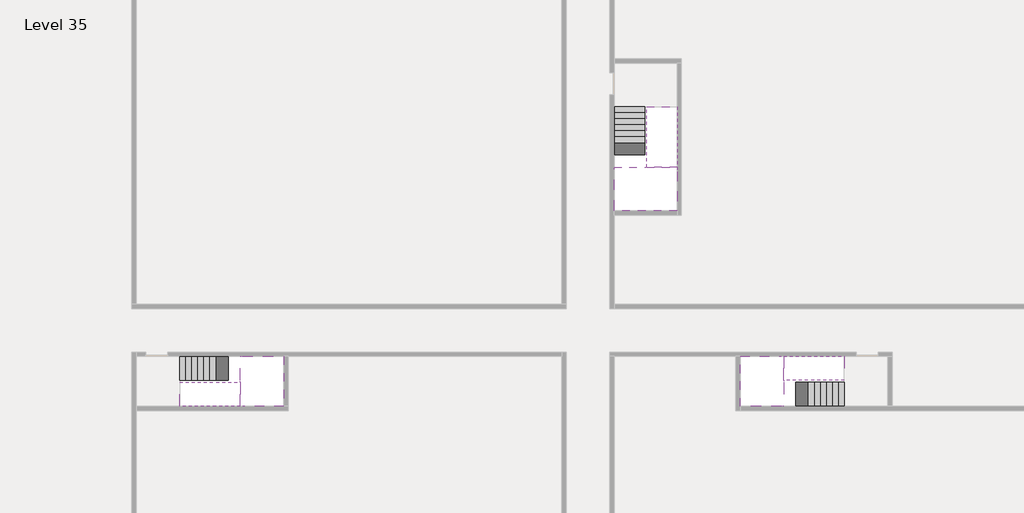
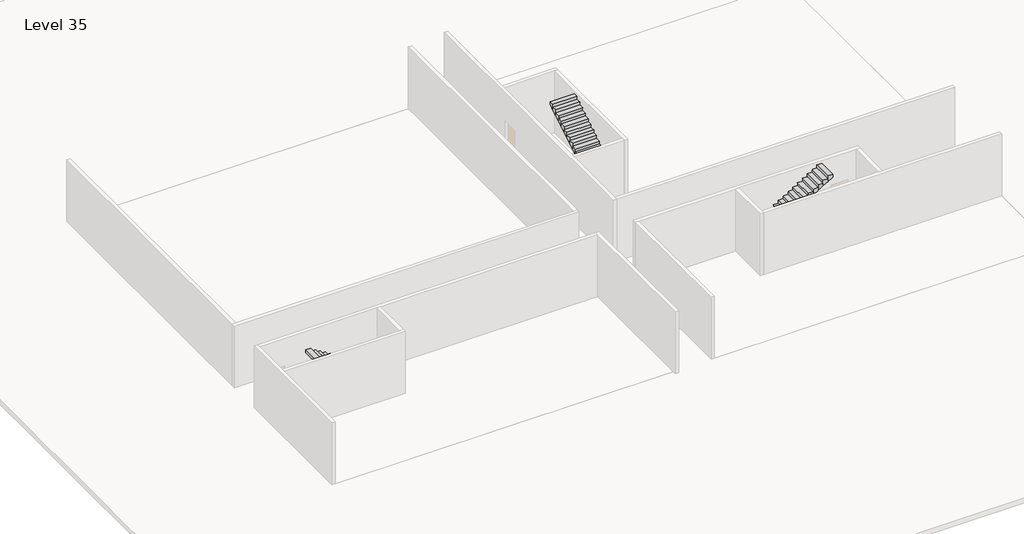
# One storey, part 2 of 2: 6 stair flights, 3 slabs.
"""IFC4 building model written with IfcOpenShell, lengths in millimetres."""

from ifc_helpers import new_model, si_unit, origin, place, context, project, spatial, faceted_brep, element, save

model = new_model("IFC4")

# Units and contexts
model_context = context("Model", 3, world=origin())
ifc_project = project(units=[si_unit("LENGTHUNIT", "METRE", prefix="MILLI")], contexts=[model_context])

# Site, building, storey
site = spatial("IfcSite", under=ifc_project)
building = spatial("IfcBuilding", under=site)
storey = spatial("IfcBuildingStorey", under=building, Name="Level 35", Elevation=129200.0)

# Slabs
placement = place(None, origin())
element("IfcSlab", 1, at=placement, inside=storey, context=model_context, shape_type="Brep", body=[
    faceted_brep([(8190.1058784, -42918.09644, 131100.0), (8190.1058784, -44018.09644, 131100.0), (8190.1058784, -44118.09644, 131100.0), (8190.1058784, -45218.09644, 131100.0), (8390.7194421, -45218.09644, 131100.0), (10190.1058784, -45218.09644, 131100.0), (10190.1058784, -42918.09644, 131100.0), (8269.4923146, -42918.09644, 131100.0), (8190.1058784, -42918.09644, 130927.2727273), (8190.1058784, -42918.09644, 130751.0278478), (8190.1058784, -44018.09644, 130751.0278478), (8190.1058784, -44018.09644, 130800.0), (8190.1058784, -44118.09644, 130800.0), (8190.1058784, -44118.09644, 130923.7551205), (8190.1058784, -45218.09644, 130923.7551205), (8390.7194421, -45218.09644, 130800.0), (10190.1058784, -45218.09644, 130800.0), (10190.1058784, -42918.09644, 130800.0), (8269.4923146, -42918.09644, 130800.0), (8390.7194421, -44118.09644, 130800.0), (8269.4923146, -44018.09644, 130800.0)], [[[0, 1, 2, 3, 4, 5, 6, 7]], [[1, 0, 8, 9, 10, 11]], [[2, 1, 11, 12, 13]], [[3, 2, 13, 14]], [[3, 14, 15, 16, 5, 4]], [[6, 5, 16, 17]], [[9, 8, 0, 7, 6, 17, 18]], [[19, 12, 11, 20, 18, 17, 16, 15]], [[12, 19, 13]], [[18, 20, 10, 9]], [[20, 11, 10]], [[19, 15, 14, 13]]]),
])
element("IfcSlab", 2, at=placement, inside=storey, context=model_context, shape_type="Brep", body=[
    faceted_brep([(33190.1058784, -45218.09644, 131100.0), (33190.1058784, -44118.09644, 131100.0), (33190.1058784, -44018.09644, 131100.0), (33190.1058784, -42918.09644, 131100.0), (32989.4923146, -42918.09644, 131100.0), (31190.1058784, -42918.09644, 131100.0), (31190.1058784, -45218.09644, 131100.0), (33110.7194421, -45218.09644, 131100.0), (33190.1058784, -45218.09644, 130927.2727273), (33190.1058784, -45218.09644, 130751.0278478), (33190.1058784, -44118.09644, 130751.0278478), (33190.1058784, -44118.09644, 130800.0), (33190.1058784, -44018.09644, 130800.0), (33190.1058784, -44018.09644, 130923.7551205), (33190.1058784, -42918.09644, 130923.7551205), (32989.4923146, -42918.09644, 130800.0), (31190.1058784, -42918.09644, 130800.0), (31190.1058784, -45218.09644, 130800.0), (33110.7194421, -45218.09644, 130800.0), (32989.4923146, -44018.09644, 130800.0), (33110.7194421, -44118.09644, 130800.0)], [[[0, 1, 2, 3, 4, 5, 6, 7]], [[1, 0, 8, 9, 10, 11]], [[2, 1, 11, 12, 13]], [[3, 2, 13, 14]], [[3, 14, 15, 16, 5, 4]], [[6, 5, 16, 17]], [[9, 8, 0, 7, 6, 17, 18]], [[19, 12, 11, 20, 18, 17, 16, 15]], [[12, 19, 13]], [[18, 20, 10, 9]], [[20, 11, 10]], [[19, 15, 14, 13]]]),
])
element("IfcSlab", 3, at=placement, inside=storey, context=model_context, shape_type="Brep", body=[
    faceted_brep([(26790.1058784, -34218.09644, 131100.0), (25390.1058784, -34218.09644, 131100.0), (25390.1058784, -34297.4828763, 131100.0), (25390.1058784, -36218.09644, 131100.0), (28290.1058784, -36218.09644, 131100.0), (28290.1058784, -34418.7100038, 131100.0), (28290.1058784, -34218.09644, 131100.0), (26890.1058784, -34218.09644, 131100.0), (26790.1058784, -34218.09644, 130800.0), (26790.1058784, -34218.09644, 130751.0278478), (25390.1058784, -34218.09644, 130751.0278478), (25390.1058784, -34218.09644, 130927.2727273), (25390.1058784, -34297.4828763, 130800.0), (25390.1058784, -36218.09644, 130800.0), (28290.1058784, -36218.09644, 130800.0), (28290.1058784, -34418.7100038, 130800.0), (28290.1058784, -34218.09644, 130923.7551205), (26890.1058784, -34218.09644, 130923.7551205), (26890.1058784, -34218.09644, 130800.0), (26890.1058784, -34418.7100038, 130800.0), (26790.1058784, -34297.4828763, 130800.0)], [[[0, 1, 2, 3, 4, 5, 6, 7]], [[1, 0, 8, 9, 10, 11]], [[1, 11, 10, 12, 13, 3, 2]], [[4, 3, 13, 14]], [[4, 14, 15, 16, 6, 5]], [[7, 6, 16, 17]], [[0, 7, 17, 18, 8]], [[18, 19, 15, 14, 13, 12, 20, 8]], [[19, 18, 17]], [[20, 12, 10, 9]], [[8, 20, 9]], [[15, 19, 17, 16]]]),
])

# Stair flights
element("IfcStairFlight", 4, at=placement, inside=storey, context=model_context, shape_type="Brep", body=[
    faceted_brep([(5670.1058784, -42918.09644, 129372.7272727), (5390.1058784, -42918.09644, 129372.7272727), (5390.1058784, -44018.09644, 129372.7272727), (5670.1058784, -44018.09644, 129372.7272727), (5670.1058784, -42918.09644, 129200.0), (5390.1058784, -42918.09644, 129200.0), (5390.1058784, -44018.09644, 129200.0), (5670.1058784, -44018.09644, 129200.0), (5950.1058784, -42918.09644, 129545.4545455), (5670.1058784, -42918.09644, 129545.4545455), (5670.1058784, -44018.09644, 129545.4545455), (5950.1058784, -44018.09644, 129545.4545455), (5950.1058784, -42918.09644, 129369.209666), (5675.8081041, -42918.09644, 129200.0), (5675.8081041, -44018.09644, 129200.0), (5950.1058784, -44018.09644, 129369.209666), (6230.1058784, -42918.09644, 129718.1818182), (5950.1058784, -42918.09644, 129718.1818182), (5950.1058784, -44018.09644, 129718.1818182), (6230.1058784, -44018.09644, 129718.1818182), (6230.1058784, -42918.09644, 129541.9369387), (6230.1058784, -44018.09644, 129541.9369387), (6510.1058784, -42918.09644, 129890.9090909), (6230.1058784, -42918.09644, 129890.9090909), (6230.1058784, -44018.09644, 129890.9090909), (6510.1058784, -44018.09644, 129890.9090909), (6510.1058784, -42918.09644, 129714.6642114), (6510.1058784, -44018.09644, 129714.6642114), (6790.1058784, -42918.09644, 130063.6363636), (6510.1058784, -42918.09644, 130063.6363636), (6510.1058784, -44018.09644, 130063.6363636), (6790.1058784, -44018.09644, 130063.6363636), (6790.1058784, -42918.09644, 129887.3914841), (6790.1058784, -44018.09644, 129887.3914841), (7070.1058784, -42918.09644, 130236.3636364), (6790.1058784, -42918.09644, 130236.3636364), (6790.1058784, -44018.09644, 130236.3636364), (7070.1058784, -44018.09644, 130236.3636364), (7070.1058784, -42918.09644, 130060.1187569), (7070.1058784, -44018.09644, 130060.1187569), (7350.1058784, -42918.09644, 130409.0909091), (7070.1058784, -42918.09644, 130409.0909091), (7070.1058784, -44018.09644, 130409.0909091), (7350.1058784, -44018.09644, 130409.0909091), (7350.1058784, -42918.09644, 130232.8460296), (7350.1058784, -44018.09644, 130232.8460296), (7630.1058784, -42918.09644, 130581.8181818), (7350.1058784, -42918.09644, 130581.8181818), (7350.1058784, -44018.09644, 130581.8181818), (7630.1058784, -44018.09644, 130581.8181818), (7630.1058784, -42918.09644, 130405.5733023), (7630.1058784, -44018.09644, 130405.5733023), (7910.1058784, -42918.09644, 130754.5454545), (7630.1058784, -42918.09644, 130754.5454545), (7630.1058784, -44018.09644, 130754.5454545), (7910.1058784, -44018.09644, 130754.5454545), (7910.1058784, -42918.09644, 130578.3005751), (7910.1058784, -44018.09644, 130578.3005751), (8190.1058784, -42918.09644, 130927.2727273), (7910.1058784, -42918.09644, 130927.2727273), (7910.1058784, -44018.09644, 130927.2727273), (8190.1058784, -44018.09644, 130927.2727273), (8190.1058784, -42918.09644, 130751.0278478), (8190.1058784, -44018.09644, 130751.0278478), (8190.1058784, -44018.09644, 130800.0)], [[[0, 1, 2, 3]], [[1, 0, 4, 5]], [[2, 1, 5, 6]], [[3, 2, 6, 7]], [[8, 9, 10, 11]], [[4, 0, 9, 8, 12, 13]], [[0, 3, 10, 9]], [[3, 7, 14, 15, 11, 10]], [[16, 17, 18, 19]], [[17, 16, 20, 12, 8]], [[8, 11, 18, 17]], [[19, 18, 11, 15, 21]], [[22, 23, 24, 25]], [[23, 22, 26, 20, 16]], [[16, 19, 24, 23]], [[25, 24, 19, 21, 27]], [[28, 29, 30, 31]], [[29, 28, 32, 26, 22]], [[22, 25, 30, 29]], [[31, 30, 25, 27, 33]], [[34, 35, 36, 37]], [[35, 34, 38, 32, 28]], [[28, 31, 36, 35]], [[37, 36, 31, 33, 39]], [[40, 41, 42, 43]], [[41, 40, 44, 38, 34]], [[34, 37, 42, 41]], [[43, 42, 37, 39, 45]], [[46, 47, 48, 49]], [[47, 46, 50, 44, 40]], [[40, 43, 48, 47]], [[49, 48, 43, 45, 51]], [[52, 53, 54, 55]], [[53, 52, 56, 50, 46]], [[46, 49, 54, 53]], [[55, 54, 49, 51, 57]], [[58, 59, 60, 61]], [[59, 58, 62, 56, 52]], [[52, 55, 60, 59]], [[61, 60, 55, 57, 63, 64]], [[58, 61, 64, 63, 62]], [[5, 4, 13, 14, 7, 6]], [[14, 13, 12, 20, 26, 32, 38, 44, 50, 56, 62, 63, 57, 51, 45, 39, 33, 27, 21, 15]]]),
])
element("IfcStairFlight", 5, at=placement, inside=storey, context=model_context, shape_type="Brep", body=[
    faceted_brep([(7910.1058784, -45218.09644, 131272.7272727), (8190.1058784, -45218.09644, 131272.7272727), (8190.1058784, -44118.09644, 131272.7272727), (7910.1058784, -44118.09644, 131272.7272727), (7910.1058784, -45218.09644, 131096.4823932), (8190.1058784, -45218.09644, 130923.7551205), (8190.1058784, -45218.09644, 131100.0), (8190.1058784, -44118.09644, 130923.7551205), (7910.1058784, -44118.09644, 131096.4823932), (7630.1058784, -45218.09644, 131445.4545455), (7910.1058784, -45218.09644, 131445.4545455), (7910.1058784, -44118.09644, 131445.4545455), (7630.1058784, -44118.09644, 131445.4545455), (7630.1058784, -45218.09644, 131269.209666), (7630.1058784, -44118.09644, 131269.209666), (7350.1058784, -45218.09644, 131618.1818182), (7630.1058784, -45218.09644, 131618.1818182), (7630.1058784, -44118.09644, 131618.1818182), (7350.1058784, -44118.09644, 131618.1818182), (7350.1058784, -45218.09644, 131441.9369387), (7350.1058784, -44118.09644, 131441.9369387), (7070.1058784, -45218.09644, 131790.9090909), (7350.1058784, -45218.09644, 131790.9090909), (7350.1058784, -44118.09644, 131790.9090909), (7070.1058784, -44118.09644, 131790.9090909), (7070.1058784, -45218.09644, 131614.6642114), (7070.1058784, -44118.09644, 131614.6642114), (6790.1058784, -45218.09644, 131963.6363636), (7070.1058784, -45218.09644, 131963.6363636), (7070.1058784, -44118.09644, 131963.6363636), (6790.1058784, -44118.09644, 131963.6363636), (6790.1058784, -45218.09644, 131787.3914841), (6790.1058784, -44118.09644, 131787.3914841), (6510.1058784, -45218.09644, 132136.3636364), (6790.1058784, -45218.09644, 132136.3636364), (6790.1058784, -44118.09644, 132136.3636364), (6510.1058784, -44118.09644, 132136.3636364), (6510.1058784, -45218.09644, 131960.1187569), (6510.1058784, -44118.09644, 131960.1187569), (6230.1058784, -45218.09644, 132309.0909091), (6510.1058784, -45218.09644, 132309.0909091), (6510.1058784, -44118.09644, 132309.0909091), (6230.1058784, -44118.09644, 132309.0909091), (6230.1058784, -45218.09644, 132132.8460296), (6230.1058784, -44118.09644, 132132.8460296), (5950.1058784, -45218.09644, 132481.8181818), (6230.1058784, -45218.09644, 132481.8181818), (6230.1058784, -44118.09644, 132481.8181818), (5950.1058784, -44118.09644, 132481.8181818), (5950.1058784, -45218.09644, 132305.5733023), (5950.1058784, -44118.09644, 132305.5733023), (5670.1058784, -45218.09644, 132654.5454545), (5950.1058784, -45218.09644, 132654.5454545), (5950.1058784, -44118.09644, 132654.5454545), (5670.1058784, -44118.09644, 132654.5454545), (5670.1058784, -45218.09644, 132478.3005751), (5670.1058784, -44118.09644, 132478.3005751), (5390.1058784, -45218.09644, 132827.2727273), (5670.1058784, -45218.09644, 132827.2727273), (5670.1058784, -44118.09644, 132827.2727273), (5390.1058784, -44118.09644, 132827.2727273), (5390.1058784, -45218.09644, 132651.0278478), (5390.1058784, -44118.09644, 132651.0278478)], [[[0, 1, 2, 3]], [[1, 0, 4, 5, 6]], [[2, 1, 6, 5, 7]], [[3, 2, 7, 8]], [[9, 10, 11, 12]], [[10, 9, 13, 4, 0]], [[11, 10, 0, 3]], [[12, 11, 3, 8, 14]], [[15, 16, 17, 18]], [[16, 15, 19, 13, 9]], [[17, 16, 9, 12]], [[18, 17, 12, 14, 20]], [[21, 22, 23, 24]], [[22, 21, 25, 19, 15]], [[23, 22, 15, 18]], [[24, 23, 18, 20, 26]], [[27, 28, 29, 30]], [[28, 27, 31, 25, 21]], [[29, 28, 21, 24]], [[30, 29, 24, 26, 32]], [[33, 34, 35, 36]], [[34, 33, 37, 31, 27]], [[35, 34, 27, 30]], [[36, 35, 30, 32, 38]], [[39, 40, 41, 42]], [[40, 39, 43, 37, 33]], [[41, 40, 33, 36]], [[42, 41, 36, 38, 44]], [[45, 46, 47, 48]], [[46, 45, 49, 43, 39]], [[47, 46, 39, 42]], [[48, 47, 42, 44, 50]], [[51, 52, 53, 54]], [[52, 51, 55, 49, 45]], [[53, 52, 45, 48]], [[54, 53, 48, 50, 56]], [[57, 58, 59, 60]], [[58, 57, 61, 55, 51]], [[59, 58, 51, 54]], [[60, 59, 54, 56, 62]], [[57, 60, 62, 61]], [[5, 4, 13, 19, 25, 31, 37, 43, 49, 55, 61, 62, 56, 50, 44, 38, 32, 26, 20, 14, 8, 7]]]),
])
element("IfcStairFlight", 6, at=placement, inside=storey, context=model_context, shape_type="Brep", body=[
    faceted_brep([(35710.1058784, -45218.09644, 129372.7272727), (35990.1058784, -45218.09644, 129372.7272727), (35990.1058784, -44118.09644, 129372.7272727), (35710.1058784, -44118.09644, 129372.7272727), (35710.1058784, -45218.09644, 129200.0), (35990.1058784, -45218.09644, 129200.0), (35990.1058784, -44118.09644, 129200.0), (35710.1058784, -44118.09644, 129200.0), (35430.1058784, -45218.09644, 129545.4545455), (35710.1058784, -45218.09644, 129545.4545455), (35710.1058784, -44118.09644, 129545.4545455), (35430.1058784, -44118.09644, 129545.4545455), (35430.1058784, -45218.09644, 129369.209666), (35704.4036527, -45218.09644, 129200.0), (35704.4036527, -44118.09644, 129200.0), (35430.1058784, -44118.09644, 129369.209666), (35150.1058784, -45218.09644, 129718.1818182), (35430.1058784, -45218.09644, 129718.1818182), (35430.1058784, -44118.09644, 129718.1818182), (35150.1058784, -44118.09644, 129718.1818182), (35150.1058784, -45218.09644, 129541.9369387), (35150.1058784, -44118.09644, 129541.9369387), (34870.1058784, -45218.09644, 129890.9090909), (35150.1058784, -45218.09644, 129890.9090909), (35150.1058784, -44118.09644, 129890.9090909), (34870.1058784, -44118.09644, 129890.9090909), (34870.1058784, -45218.09644, 129714.6642114), (34870.1058784, -44118.09644, 129714.6642114), (34590.1058784, -45218.09644, 130063.6363636), (34870.1058784, -45218.09644, 130063.6363636), (34870.1058784, -44118.09644, 130063.6363636), (34590.1058784, -44118.09644, 130063.6363636), (34590.1058784, -45218.09644, 129887.3914841), (34590.1058784, -44118.09644, 129887.3914841), (34310.1058784, -45218.09644, 130236.3636364), (34590.1058784, -45218.09644, 130236.3636364), (34590.1058784, -44118.09644, 130236.3636364), (34310.1058784, -44118.09644, 130236.3636364), (34310.1058784, -45218.09644, 130060.1187569), (34310.1058784, -44118.09644, 130060.1187569), (34030.1058784, -45218.09644, 130409.0909091), (34310.1058784, -45218.09644, 130409.0909091), (34310.1058784, -44118.09644, 130409.0909091), (34030.1058784, -44118.09644, 130409.0909091), (34030.1058784, -45218.09644, 130232.8460296), (34030.1058784, -44118.09644, 130232.8460296), (33750.1058784, -45218.09644, 130581.8181818), (34030.1058784, -45218.09644, 130581.8181818), (34030.1058784, -44118.09644, 130581.8181818), (33750.1058784, -44118.09644, 130581.8181818), (33750.1058784, -45218.09644, 130405.5733023), (33750.1058784, -44118.09644, 130405.5733023), (33470.1058784, -45218.09644, 130754.5454545), (33750.1058784, -45218.09644, 130754.5454545), (33750.1058784, -44118.09644, 130754.5454545), (33470.1058784, -44118.09644, 130754.5454545), (33470.1058784, -45218.09644, 130578.3005751), (33470.1058784, -44118.09644, 130578.3005751), (33190.1058784, -45218.09644, 130927.2727273), (33470.1058784, -45218.09644, 130927.2727273), (33470.1058784, -44118.09644, 130927.2727273), (33190.1058784, -44118.09644, 130927.2727273), (33190.1058784, -45218.09644, 130751.0278478), (33190.1058784, -44118.09644, 130751.0278478), (33190.1058784, -44118.09644, 130800.0)], [[[0, 1, 2, 3]], [[1, 0, 4, 5]], [[2, 1, 5, 6]], [[3, 2, 6, 7]], [[8, 9, 10, 11]], [[4, 0, 9, 8, 12, 13]], [[0, 3, 10, 9]], [[3, 7, 14, 15, 11, 10]], [[16, 17, 18, 19]], [[17, 16, 20, 12, 8]], [[8, 11, 18, 17]], [[19, 18, 11, 15, 21]], [[22, 23, 24, 25]], [[23, 22, 26, 20, 16]], [[16, 19, 24, 23]], [[25, 24, 19, 21, 27]], [[28, 29, 30, 31]], [[29, 28, 32, 26, 22]], [[22, 25, 30, 29]], [[31, 30, 25, 27, 33]], [[34, 35, 36, 37]], [[35, 34, 38, 32, 28]], [[28, 31, 36, 35]], [[37, 36, 31, 33, 39]], [[40, 41, 42, 43]], [[41, 40, 44, 38, 34]], [[34, 37, 42, 41]], [[43, 42, 37, 39, 45]], [[46, 47, 48, 49]], [[47, 46, 50, 44, 40]], [[40, 43, 48, 47]], [[49, 48, 43, 45, 51]], [[52, 53, 54, 55]], [[53, 52, 56, 50, 46]], [[46, 49, 54, 53]], [[55, 54, 49, 51, 57]], [[58, 59, 60, 61]], [[59, 58, 62, 56, 52]], [[52, 55, 60, 59]], [[61, 60, 55, 57, 63, 64]], [[58, 61, 64, 63, 62]], [[5, 4, 13, 14, 7, 6]], [[14, 13, 12, 20, 26, 32, 38, 44, 50, 56, 62, 63, 57, 51, 45, 39, 33, 27, 21, 15]]]),
])
element("IfcStairFlight", 7, at=placement, inside=storey, context=model_context, shape_type="Brep", body=[
    faceted_brep([(33470.1058784, -42918.09644, 131272.7272727), (33190.1058784, -42918.09644, 131272.7272727), (33190.1058784, -44018.09644, 131272.7272727), (33470.1058784, -44018.09644, 131272.7272727), (33470.1058784, -42918.09644, 131096.4823932), (33190.1058784, -42918.09644, 130923.7551205), (33190.1058784, -42918.09644, 131100.0), (33190.1058784, -44018.09644, 130923.7551205), (33470.1058784, -44018.09644, 131096.4823932), (33750.1058784, -42918.09644, 131445.4545455), (33470.1058784, -42918.09644, 131445.4545455), (33470.1058784, -44018.09644, 131445.4545455), (33750.1058784, -44018.09644, 131445.4545455), (33750.1058784, -42918.09644, 131269.209666), (33750.1058784, -44018.09644, 131269.209666), (34030.1058784, -42918.09644, 131618.1818182), (33750.1058784, -42918.09644, 131618.1818182), (33750.1058784, -44018.09644, 131618.1818182), (34030.1058784, -44018.09644, 131618.1818182), (34030.1058784, -42918.09644, 131441.9369387), (34030.1058784, -44018.09644, 131441.9369387), (34310.1058784, -42918.09644, 131790.9090909), (34030.1058784, -42918.09644, 131790.9090909), (34030.1058784, -44018.09644, 131790.9090909), (34310.1058784, -44018.09644, 131790.9090909), (34310.1058784, -42918.09644, 131614.6642114), (34310.1058784, -44018.09644, 131614.6642114), (34590.1058784, -42918.09644, 131963.6363636), (34310.1058784, -42918.09644, 131963.6363636), (34310.1058784, -44018.09644, 131963.6363636), (34590.1058784, -44018.09644, 131963.6363636), (34590.1058784, -42918.09644, 131787.3914841), (34590.1058784, -44018.09644, 131787.3914841), (34870.1058784, -42918.09644, 132136.3636364), (34590.1058784, -42918.09644, 132136.3636364), (34590.1058784, -44018.09644, 132136.3636364), (34870.1058784, -44018.09644, 132136.3636364), (34870.1058784, -42918.09644, 131960.1187569), (34870.1058784, -44018.09644, 131960.1187569), (35150.1058784, -42918.09644, 132309.0909091), (34870.1058784, -42918.09644, 132309.0909091), (34870.1058784, -44018.09644, 132309.0909091), (35150.1058784, -44018.09644, 132309.0909091), (35150.1058784, -42918.09644, 132132.8460296), (35150.1058784, -44018.09644, 132132.8460296), (35430.1058784, -42918.09644, 132481.8181818), (35150.1058784, -42918.09644, 132481.8181818), (35150.1058784, -44018.09644, 132481.8181818), (35430.1058784, -44018.09644, 132481.8181818), (35430.1058784, -42918.09644, 132305.5733023), (35430.1058784, -44018.09644, 132305.5733023), (35710.1058784, -42918.09644, 132654.5454545), (35430.1058784, -42918.09644, 132654.5454545), (35430.1058784, -44018.09644, 132654.5454545), (35710.1058784, -44018.09644, 132654.5454545), (35710.1058784, -42918.09644, 132478.3005751), (35710.1058784, -44018.09644, 132478.3005751), (35990.1058784, -42918.09644, 132827.2727273), (35710.1058784, -42918.09644, 132827.2727273), (35710.1058784, -44018.09644, 132827.2727273), (35990.1058784, -44018.09644, 132827.2727273), (35990.1058784, -42918.09644, 132651.0278478), (35990.1058784, -44018.09644, 132651.0278478)], [[[0, 1, 2, 3]], [[1, 0, 4, 5, 6]], [[2, 1, 6, 5, 7]], [[3, 2, 7, 8]], [[9, 10, 11, 12]], [[10, 9, 13, 4, 0]], [[11, 10, 0, 3]], [[12, 11, 3, 8, 14]], [[15, 16, 17, 18]], [[16, 15, 19, 13, 9]], [[17, 16, 9, 12]], [[18, 17, 12, 14, 20]], [[21, 22, 23, 24]], [[22, 21, 25, 19, 15]], [[23, 22, 15, 18]], [[24, 23, 18, 20, 26]], [[27, 28, 29, 30]], [[28, 27, 31, 25, 21]], [[29, 28, 21, 24]], [[30, 29, 24, 26, 32]], [[33, 34, 35, 36]], [[34, 33, 37, 31, 27]], [[35, 34, 27, 30]], [[36, 35, 30, 32, 38]], [[39, 40, 41, 42]], [[40, 39, 43, 37, 33]], [[41, 40, 33, 36]], [[42, 41, 36, 38, 44]], [[45, 46, 47, 48]], [[46, 45, 49, 43, 39]], [[47, 46, 39, 42]], [[48, 47, 42, 44, 50]], [[51, 52, 53, 54]], [[52, 51, 55, 49, 45]], [[53, 52, 45, 48]], [[54, 53, 48, 50, 56]], [[57, 58, 59, 60]], [[58, 57, 61, 55, 51]], [[59, 58, 51, 54]], [[60, 59, 54, 56, 62]], [[57, 60, 62, 61]], [[5, 4, 13, 19, 25, 31, 37, 43, 49, 55, 61, 62, 56, 50, 44, 38, 32, 26, 20, 14, 8, 7]]]),
])
element("IfcStairFlight", 8, at=placement, inside=storey, context=model_context, shape_type="Brep", body=[
    faceted_brep([(26790.1058784, -31698.09644, 129372.7272727), (26790.1058784, -31418.09644, 129372.7272727), (25390.1058784, -31418.09644, 129372.7272727), (25390.1058784, -31698.09644, 129372.7272727), (26790.1058784, -31698.09644, 129200.0), (26790.1058784, -31418.09644, 129200.0), (25390.1058784, -31418.09644, 129200.0), (25390.1058784, -31698.09644, 129200.0), (26790.1058784, -31978.09644, 129545.4545455), (26790.1058784, -31698.09644, 129545.4545455), (25390.1058784, -31698.09644, 129545.4545455), (25390.1058784, -31978.09644, 129545.4545455), (26790.1058784, -31978.09644, 129369.209666), (26790.1058784, -31703.7986657, 129200.0), (25390.1058784, -31703.7986657, 129200.0), (25390.1058784, -31978.09644, 129369.209666), (26790.1058784, -32258.09644, 129718.1818182), (26790.1058784, -31978.09644, 129718.1818182), (25390.1058784, -31978.09644, 129718.1818182), (25390.1058784, -32258.09644, 129718.1818182), (26790.1058784, -32258.09644, 129541.9369387), (25390.1058784, -32258.09644, 129541.9369387), (26790.1058784, -32538.09644, 129890.9090909), (26790.1058784, -32258.09644, 129890.9090909), (25390.1058784, -32258.09644, 129890.9090909), (25390.1058784, -32538.09644, 129890.9090909), (26790.1058784, -32538.09644, 129714.6642114), (25390.1058784, -32538.09644, 129714.6642114), (26790.1058784, -32818.09644, 130063.6363636), (26790.1058784, -32538.09644, 130063.6363636), (25390.1058784, -32538.09644, 130063.6363636), (25390.1058784, -32818.09644, 130063.6363636), (26790.1058784, -32818.09644, 129887.3914841), (25390.1058784, -32818.09644, 129887.3914841), (26790.1058784, -33098.09644, 130236.3636364), (26790.1058784, -32818.09644, 130236.3636364), (25390.1058784, -32818.09644, 130236.3636364), (25390.1058784, -33098.09644, 130236.3636364), (26790.1058784, -33098.09644, 130060.1187569), (25390.1058784, -33098.09644, 130060.1187569), (26790.1058784, -33378.09644, 130409.0909091), (26790.1058784, -33098.09644, 130409.0909091), (25390.1058784, -33098.09644, 130409.0909091), (25390.1058784, -33378.09644, 130409.0909091), (26790.1058784, -33378.09644, 130232.8460296), (25390.1058784, -33378.09644, 130232.8460296), (26790.1058784, -33658.09644, 130581.8181818), (26790.1058784, -33378.09644, 130581.8181818), (25390.1058784, -33378.09644, 130581.8181818), (25390.1058784, -33658.09644, 130581.8181818), (26790.1058784, -33658.09644, 130405.5733023), (25390.1058784, -33658.09644, 130405.5733023), (26790.1058784, -33938.09644, 130754.5454545), (26790.1058784, -33658.09644, 130754.5454545), (25390.1058784, -33658.09644, 130754.5454545), (25390.1058784, -33938.09644, 130754.5454545), (26790.1058784, -33938.09644, 130578.3005751), (25390.1058784, -33938.09644, 130578.3005751), (26790.1058784, -34218.09644, 130927.2727273), (26790.1058784, -33938.09644, 130927.2727273), (25390.1058784, -33938.09644, 130927.2727273), (25390.1058784, -34218.09644, 130927.2727273), (26790.1058784, -34218.09644, 130800.0), (26790.1058784, -34218.09644, 130751.0278478), (25390.1058784, -34218.09644, 130751.0278478)], [[[0, 1, 2, 3]], [[1, 0, 4, 5]], [[2, 1, 5, 6]], [[3, 2, 6, 7]], [[8, 9, 10, 11]], [[4, 0, 9, 8, 12, 13]], [[0, 3, 10, 9]], [[3, 7, 14, 15, 11, 10]], [[16, 17, 18, 19]], [[17, 16, 20, 12, 8]], [[8, 11, 18, 17]], [[19, 18, 11, 15, 21]], [[22, 23, 24, 25]], [[23, 22, 26, 20, 16]], [[16, 19, 24, 23]], [[25, 24, 19, 21, 27]], [[28, 29, 30, 31]], [[29, 28, 32, 26, 22]], [[22, 25, 30, 29]], [[31, 30, 25, 27, 33]], [[34, 35, 36, 37]], [[35, 34, 38, 32, 28]], [[28, 31, 36, 35]], [[37, 36, 31, 33, 39]], [[40, 41, 42, 43]], [[41, 40, 44, 38, 34]], [[34, 37, 42, 41]], [[43, 42, 37, 39, 45]], [[46, 47, 48, 49]], [[47, 46, 50, 44, 40]], [[40, 43, 48, 47]], [[49, 48, 43, 45, 51]], [[52, 53, 54, 55]], [[53, 52, 56, 50, 46]], [[46, 49, 54, 53]], [[55, 54, 49, 51, 57]], [[58, 59, 60, 61]], [[59, 58, 62, 63, 56, 52]], [[52, 55, 60, 59]], [[61, 60, 55, 57, 64]], [[58, 61, 64, 63, 62]], [[5, 4, 13, 14, 7, 6]], [[14, 13, 12, 20, 26, 32, 38, 44, 50, 56, 63, 64, 57, 51, 45, 39, 33, 27, 21, 15]]]),
])
element("IfcStairFlight", 9, at=placement, inside=storey, context=model_context, shape_type="Brep", body=[
    faceted_brep([(26890.1058784, -33938.09644, 131272.7272727), (26890.1058784, -34218.09644, 131272.7272727), (28290.1058784, -34218.09644, 131272.7272727), (28290.1058784, -33938.09644, 131272.7272727), (26890.1058784, -33938.09644, 131096.4823932), (26890.1058784, -34218.09644, 130923.7551205), (28290.1058784, -34218.09644, 130923.7551205), (28290.1058784, -34218.09644, 131100.0), (28290.1058784, -33938.09644, 131096.4823932), (26890.1058784, -33658.09644, 131445.4545455), (26890.1058784, -33938.09644, 131445.4545455), (28290.1058784, -33938.09644, 131445.4545455), (28290.1058784, -33658.09644, 131445.4545455), (26890.1058784, -33658.09644, 131269.209666), (28290.1058784, -33658.09644, 131269.209666), (26890.1058784, -33378.09644, 131618.1818182), (26890.1058784, -33658.09644, 131618.1818182), (28290.1058784, -33658.09644, 131618.1818182), (28290.1058784, -33378.09644, 131618.1818182), (26890.1058784, -33378.09644, 131441.9369387), (28290.1058784, -33378.09644, 131441.9369387), (26890.1058784, -33098.09644, 131790.9090909), (26890.1058784, -33378.09644, 131790.9090909), (28290.1058784, -33378.09644, 131790.9090909), (28290.1058784, -33098.09644, 131790.9090909), (26890.1058784, -33098.09644, 131614.6642114), (28290.1058784, -33098.09644, 131614.6642114), (26890.1058784, -32818.09644, 131963.6363636), (26890.1058784, -33098.09644, 131963.6363636), (28290.1058784, -33098.09644, 131963.6363636), (28290.1058784, -32818.09644, 131963.6363636), (26890.1058784, -32818.09644, 131787.3914841), (28290.1058784, -32818.09644, 131787.3914841), (26890.1058784, -32538.09644, 132136.3636364), (26890.1058784, -32818.09644, 132136.3636364), (28290.1058784, -32818.09644, 132136.3636364), (28290.1058784, -32538.09644, 132136.3636364), (26890.1058784, -32538.09644, 131960.1187569), (28290.1058784, -32538.09644, 131960.1187569), (26890.1058784, -32258.09644, 132309.0909091), (26890.1058784, -32538.09644, 132309.0909091), (28290.1058784, -32538.09644, 132309.0909091), (28290.1058784, -32258.09644, 132309.0909091), (26890.1058784, -32258.09644, 132132.8460296), (28290.1058784, -32258.09644, 132132.8460296), (26890.1058784, -31978.09644, 132481.8181818), (26890.1058784, -32258.09644, 132481.8181818), (28290.1058784, -32258.09644, 132481.8181818), (28290.1058784, -31978.09644, 132481.8181818), (26890.1058784, -31978.09644, 132305.5733023), (28290.1058784, -31978.09644, 132305.5733023), (26890.1058784, -31698.09644, 132654.5454545), (26890.1058784, -31978.09644, 132654.5454545), (28290.1058784, -31978.09644, 132654.5454545), (28290.1058784, -31698.09644, 132654.5454545), (26890.1058784, -31698.09644, 132478.3005751), (28290.1058784, -31698.09644, 132478.3005751), (26890.1058784, -31418.09644, 132827.2727273), (26890.1058784, -31698.09644, 132827.2727273), (28290.1058784, -31698.09644, 132827.2727273), (28290.1058784, -31418.09644, 132827.2727273), (26890.1058784, -31418.09644, 132651.0278478), (28290.1058784, -31418.09644, 132651.0278478)], [[[0, 1, 2, 3]], [[1, 0, 4, 5]], [[2, 1, 5, 6, 7]], [[3, 2, 7, 6, 8]], [[9, 10, 11, 12]], [[10, 9, 13, 4, 0]], [[11, 10, 0, 3]], [[12, 11, 3, 8, 14]], [[15, 16, 17, 18]], [[16, 15, 19, 13, 9]], [[17, 16, 9, 12]], [[18, 17, 12, 14, 20]], [[21, 22, 23, 24]], [[22, 21, 25, 19, 15]], [[23, 22, 15, 18]], [[24, 23, 18, 20, 26]], [[27, 28, 29, 30]], [[28, 27, 31, 25, 21]], [[29, 28, 21, 24]], [[30, 29, 24, 26, 32]], [[33, 34, 35, 36]], [[34, 33, 37, 31, 27]], [[35, 34, 27, 30]], [[36, 35, 30, 32, 38]], [[39, 40, 41, 42]], [[40, 39, 43, 37, 33]], [[41, 40, 33, 36]], [[42, 41, 36, 38, 44]], [[45, 46, 47, 48]], [[46, 45, 49, 43, 39]], [[47, 46, 39, 42]], [[48, 47, 42, 44, 50]], [[51, 52, 53, 54]], [[52, 51, 55, 49, 45]], [[53, 52, 45, 48]], [[54, 53, 48, 50, 56]], [[57, 58, 59, 60]], [[58, 57, 61, 55, 51]], [[59, 58, 51, 54]], [[60, 59, 54, 56, 62]], [[57, 60, 62, 61]], [[5, 4, 13, 19, 25, 31, 37, 43, 49, 55, 61, 62, 56, 50, 44, 38, 32, 26, 20, 14, 8, 6]]]),
])

save(model, "model.ifc")
